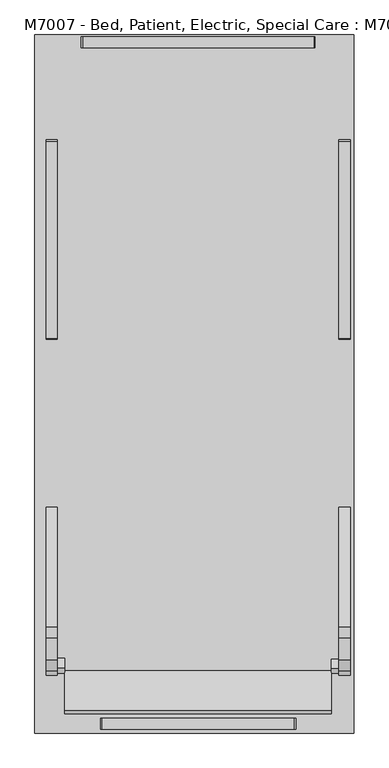
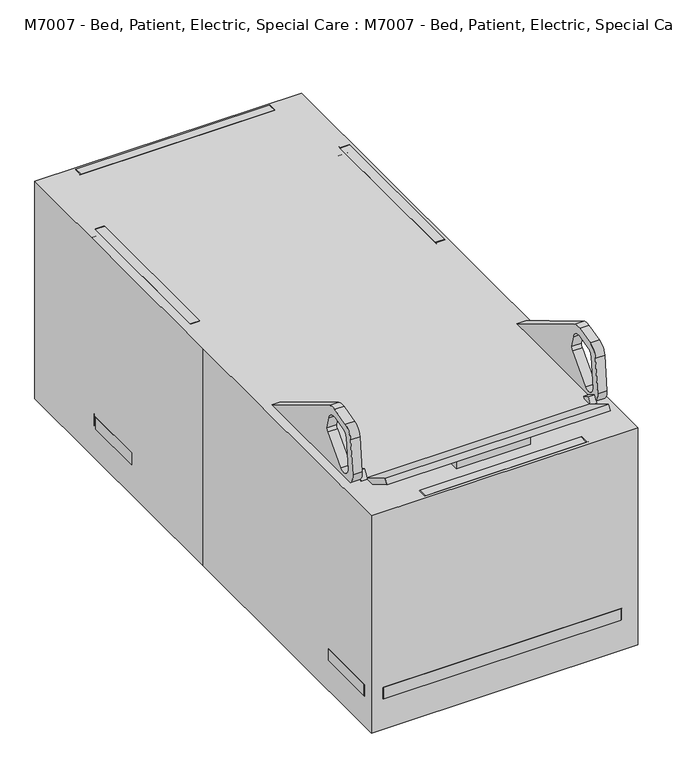
"""IFC4 building model written with IfcOpenShell, lengths in millimetres: proxy geometry, M7007 - Bed, Patient, Electric, Special Care : M7007 - Bed, Patient, Electric, Special Care."""

from ifc_helpers import new_model, si_unit, point, frame, frame_2d, origin, origin_with_axes, place, context, project, spatial, polyline, circle_curve, trimmed, segment, composite_curve, outline, extrude, source, transform, mapped, element, save


def m7007_bed_patient_electric_special_care_m7007_bed_patient_1ccff619(model_context):
    return source(origin(), model_context, "Body", "SweptSolid", [
        extrude(outline(composite_curve([segment(trimmed(circle_curve(frame_2d((-370.8269462, 849.6395713)), 50.8), [point((-344.6630119, 893.1836702))], [point((-321.5359233, 861.9292036))], False, "CARTESIAN"), True, "CONTINUOUS"), segment(polyline([(-321.5359233, 861.9292036), (-302.971464, 787.4712245)]), True, "CONTINUOUS"), segment(trimmed(circle_curve(frame_2d((-352.2624869, 775.1815922)), 50.8), [point((-302.971464, 787.4712245))], [point((-323.8554874, 733.0664835))], False, "CARTESIAN"), True, "CONTINUOUS"), segment(polyline([(-323.8554874, 733.0664835), (-443.7606791, 652.1894105)]), True, "CONTINUOUS"), segment(trimmed(circle_curve(frame_2d((-472.1676786, 694.3045192)), 50.8), [point((-443.7606791, 652.1894105))], [point((-498.3316128, 650.7604203))], False, "CARTESIAN"), True, "CONTINUOUS"), segment(polyline([(-498.3316128, 650.7604203), (-971.5552627, 935.1018755)]), True, "CONTINUOUS"), segment(trimmed(circle_curve(frame_2d((-945.3913285, 978.6459744)), 50.8), [point((-971.5552627, 935.1018755))], [point((-995.9130407, 983.9560203))], False, "CARTESIAN"), True, "CONTINUOUS"), segment(polyline([(-995.9130407, 983.9560203), (-980.7949015, 1127.7955065)]), True, "CONTINUOUS"), segment(trimmed(circle_curve(frame_2d((-930.2731893, 1122.4854606)), 50.8), [point((-980.7949015, 1127.7955065))], [point((-942.5628216, 1171.7764835))], False, "CARTESIAN"), True, "CONTINUOUS"), segment(polyline([(-942.5628216, 1171.7764835), (-868.1048424, 1190.3409427)]), True, "CONTINUOUS"), segment(trimmed(circle_curve(frame_2d((-855.8152101, 1141.0499198)), 50.8), [point((-868.1048424, 1190.3409427))], [point((-829.6512759, 1184.5940187))], False, "CARTESIAN"), True, "CONTINUOUS"), segment(polyline([(-829.6512759, 1184.5940187), (-344.6630119, 893.1836702)]), True, "CONTINUOUS")], self_intersect=False), holes=[composite_curve([segment(polyline([(-338.4706634, 785.4859616), (-353.2561052, 844.7871298)]), True, "CONTINUOUS"), segment(trimmed(circle_curve(frame_2d((-387.1436835, 836.3380076)), 34.925), [point((-353.2561052, 844.7871298))], [point((-395.5928057, 870.2255859))], True, "CARTESIAN"), True, "CONTINUOUS"), segment(polyline([(-395.5928057, 870.2255859), (-446.1783385, 857.613196)]), True, "CONTINUOUS"), segment(trimmed(circle_curve(frame_2d((-431.9748387, 836.5556416)), 25.4), [point((-446.1783385, 857.613196))], [point((-455.9910106, 844.8250728))], True, "CARTESIAN"), True, "CONTINUOUS"), segment(polyline([(-455.9910106, 844.8250728), (-500.2951665, 716.1564613)]), True, "CONTINUOUS"), segment(trimmed(circle_curve(frame_2d((-476.2789946, 707.8870302)), 25.4), [point((-500.2951665, 716.1564613))], [point((-489.3609617, 686.1149807))], True, "CARTESIAN"), True, "CONTINUOUS"), segment(polyline([(-489.3609617, 686.1149807), (-485.5384053, 683.8181571)]), True, "CONTINUOUS"), segment(trimmed(circle_curve(frame_2d((-472.4564382, 705.5902065)), 25.4), [point((-485.5384053, 683.8181571))], [point((-458.2529385, 684.5326522))], True, "CARTESIAN"), True, "CONTINUOUS"), segment(polyline([(-458.2529385, 684.5326522), (-348.9126751, 758.2835911)]), True, "CONTINUOUS"), segment(trimmed(circle_curve(frame_2d((-363.1161748, 779.3411454)), 25.4), [point((-348.9126751, 758.2835911))], [point((-338.4706634, 785.4859616))], True, "CARTESIAN"), True, "CONTINUOUS")], self_intersect=False), composite_curve([segment(trimmed(circle_curve(frame_2d((-921.5050239, 1114.8550149)), 25.4), [point((-927.64984, 1139.5005264))], [point((-946.76588, 1117.5100379))], True, "CARTESIAN"), True, "CONTINUOUS"), segment(polyline([(-946.76588, 1117.5100379), (-960.5519497, 986.344347)]), True, "CONTINUOUS"), segment(trimmed(circle_curve(frame_2d((-935.2910935, 983.689324)), 25.4), [point((-960.5519497, 986.344347))], [point((-948.3730606, 961.9172746))], True, "CARTESIAN"), True, "CONTINUOUS"), segment(polyline([(-948.3730606, 961.9172746), (-944.5505042, 959.620451)]), True, "CONTINUOUS"), segment(trimmed(circle_curve(frame_2d((-931.4685371, 981.3925004)), 25.4), [point((-944.5505042, 959.620451))], [point((-912.8921531, 964.0697421))], True, "CARTESIAN"), True, "CONTINUOUS"), segment(polyline([(-912.8921531, 964.0697421), (-820.0840536, 1063.594244)]), True, "CONTINUOUS"), segment(trimmed(circle_curve(frame_2d((-838.6604376, 1080.9170023)), 25.4), [point((-820.0840536, 1063.594244))], [point((-813.3995815, 1078.2619794))], True, "CARTESIAN"), True, "CONTINUOUS"), segment(polyline([(-813.3995815, 1078.2619794), (-826.0119713, 1128.8475122)]), True, "CONTINUOUS"), segment(trimmed(circle_curve(frame_2d((-859.8995496, 1120.39839)), 34.925), [point((-826.0119713, 1128.8475122))], [point((-868.3486718, 1154.2859682))], True, "CARTESIAN"), True, "CONTINUOUS"), segment(polyline([(-868.3486718, 1154.2859682), (-927.64984, 1139.5005264)]), True, "CONTINUOUS")], self_intersect=False)]), frame((527.0507546, 0.0, 0.0), z_axis=(1.0, 0.0, 0.0), x_axis=(0.0, 1.0, 0.0)), (0.0, 0.0, 1.0), 38.1),
        extrude(outline(composite_curve([segment(trimmed(circle_curve(frame_2d((-370.8290819, 849.6408547)), 50.8), [point((-344.6651477, 893.1849536))], [point((-321.538059, 861.930487))], False, "CARTESIAN"), True, "CONTINUOUS"), segment(polyline([(-321.538059, 861.930487), (-302.9735998, 787.4725079)]), True, "CONTINUOUS"), segment(trimmed(circle_curve(frame_2d((-352.2646227, 775.1828756)), 50.8), [point((-302.9735998, 787.4725079))], [point((-323.8576232, 733.0677669))], False, "CARTESIAN"), True, "CONTINUOUS"), segment(polyline([(-323.8576232, 733.0677669), (-443.7628149, 652.1906939)]), True, "CONTINUOUS"), segment(trimmed(circle_curve(frame_2d((-472.1698144, 694.3058026)), 50.8), [point((-443.7628149, 652.1906939))], [point((-498.3337486, 650.7617037))], False, "CARTESIAN"), True, "CONTINUOUS"), segment(polyline([(-498.3337486, 650.7617037), (-971.5573984, 935.1031589)]), True, "CONTINUOUS"), segment(trimmed(circle_curve(frame_2d((-945.3934642, 978.6472578)), 50.8), [point((-971.5573984, 935.1031589))], [point((-995.9151765, 983.9573037))], False, "CARTESIAN"), True, "CONTINUOUS"), segment(polyline([(-995.9151765, 983.9573037), (-980.7970373, 1127.7967899)]), True, "CONTINUOUS"), segment(trimmed(circle_curve(frame_2d((-930.275325, 1122.486744)), 50.8), [point((-980.7970373, 1127.7967899))], [point((-942.5649573, 1171.7777669))], False, "CARTESIAN"), True, "CONTINUOUS"), segment(polyline([(-942.5649573, 1171.7777669), (-868.1069782, 1190.3422261)]), True, "CONTINUOUS"), segment(trimmed(circle_curve(frame_2d((-855.8173459, 1141.0512032)), 50.8), [point((-868.1069782, 1190.3422261))], [point((-829.6534117, 1184.5953021))], False, "CARTESIAN"), True, "CONTINUOUS"), segment(polyline([(-829.6534117, 1184.5953021), (-344.6651477, 893.1849536)]), True, "CONTINUOUS")], self_intersect=False), holes=[composite_curve([segment(polyline([(-338.4727992, 785.487245), (-353.258241, 844.7884132)]), True, "CONTINUOUS"), segment(trimmed(circle_curve(frame_2d((-387.1458193, 836.339291)), 34.925), [point((-353.258241, 844.7884132))], [point((-395.5949415, 870.2268693))], True, "CARTESIAN"), True, "CONTINUOUS"), segment(polyline([(-395.5949415, 870.2268693), (-446.1804743, 857.6144794)]), True, "CONTINUOUS"), segment(trimmed(circle_curve(frame_2d((-431.9769745, 836.5569251)), 25.4), [point((-446.1804743, 857.6144794))], [point((-455.9931464, 844.8263562))], True, "CARTESIAN"), True, "CONTINUOUS"), segment(polyline([(-455.9931464, 844.8263562), (-500.2973022, 716.1577447)]), True, "CONTINUOUS"), segment(trimmed(circle_curve(frame_2d((-476.2811304, 707.8883136)), 25.4), [point((-500.2973022, 716.1577447))], [point((-489.3630975, 686.1162641))], True, "CARTESIAN"), True, "CONTINUOUS"), segment(polyline([(-489.3630975, 686.1162641), (-485.5405411, 683.8194405)]), True, "CONTINUOUS"), segment(trimmed(circle_curve(frame_2d((-472.458574, 705.59149)), 25.4), [point((-485.5405411, 683.8194405))], [point((-458.2550742, 684.5339356))], True, "CARTESIAN"), True, "CONTINUOUS"), segment(polyline([(-458.2550742, 684.5339356), (-348.9148109, 758.2848745)]), True, "CONTINUOUS"), segment(trimmed(circle_curve(frame_2d((-363.1183106, 779.3424288)), 25.4), [point((-348.9148109, 758.2848745))], [point((-338.4727992, 785.487245))], True, "CARTESIAN"), True, "CONTINUOUS")], self_intersect=False), composite_curve([segment(trimmed(circle_curve(frame_2d((-921.5071597, 1114.8562983)), 25.4), [point((-927.6519758, 1139.5018098))], [point((-946.7680158, 1117.5113213))], True, "CARTESIAN"), True, "CONTINUOUS"), segment(polyline([(-946.7680158, 1117.5113213), (-960.5540855, 986.3456304)]), True, "CONTINUOUS"), segment(trimmed(circle_curve(frame_2d((-935.2932293, 983.6906075)), 25.4), [point((-960.5540855, 986.3456304))], [point((-948.3751964, 961.918558))], True, "CARTESIAN"), True, "CONTINUOUS"), segment(polyline([(-948.3751964, 961.918558), (-944.55264, 959.6217344)]), True, "CONTINUOUS"), segment(trimmed(circle_curve(frame_2d((-931.4706729, 981.3937838)), 25.4), [point((-944.55264, 959.6217344))], [point((-912.8942889, 964.0710255))], True, "CARTESIAN"), True, "CONTINUOUS"), segment(polyline([(-912.8942889, 964.0710255), (-820.0861894, 1063.5955274)]), True, "CONTINUOUS"), segment(trimmed(circle_curve(frame_2d((-838.6625734, 1080.9182857)), 25.4), [point((-820.0861894, 1063.5955274))], [point((-813.4017173, 1078.2632628))], True, "CARTESIAN"), True, "CONTINUOUS"), segment(polyline([(-813.4017173, 1078.2632628), (-826.0141071, 1128.8487956)]), True, "CONTINUOUS"), segment(trimmed(circle_curve(frame_2d((-859.9016854, 1120.3996734)), 34.925), [point((-826.0141071, 1128.8487956))], [point((-868.3508076, 1154.2872516))], True, "CARTESIAN"), True, "CONTINUOUS"), segment(polyline([(-868.3508076, 1154.2872516), (-927.6519758, 1139.5018098)]), True, "CONTINUOUS")], self_intersect=False)]), frame((-476.2492454, 0.0, 0.0), z_axis=(1.0, 0.0, 0.0), x_axis=(0.0, 1.0, 0.0)), (0.0, 0.0, 1.0), 38.1),
        extrude(outline(polyline([(-412.75, 577.85), (-438.15, 577.85), (-438.15, 615.95), (-412.75, 615.95), (-412.75, 577.85)])), frame((0.0, 0.0, 627.4575369), z_axis=(0.0, 0.0, 1.0), x_axis=(1.0, 0.0, 0.0)), (0.0, 0.0, 1.0), 60.2479702),
        extrude(outline(composite_curve([segment(trimmed(circle_curve(frame_2d((157.2386443, 889.0)), 50.8), [point((117.7596294, 920.9694759))], [point((157.2386443, 939.8))], False, "CARTESIAN"), True, "CONTINUOUS"), segment(polyline([(157.2386443, 939.8), (830.9921503, 939.8)]), True, "CONTINUOUS"), segment(trimmed(circle_curve(frame_2d((830.9921503, 889.0)), 50.8), [point((830.9921503, 939.8))], [point((866.9131748, 924.9210245))], False, "CARTESIAN"), True, "CONTINUOUS"), segment(polyline([(866.9131748, 924.9210245), (921.1747164, 870.6594829)]), True, "CONTINUOUS"), segment(trimmed(circle_curve(frame_2d((885.2536919, 834.7384584)), 50.8), [point((921.1747164, 870.6594829))], [point((931.2941275, 813.2694507))], False, "CARTESIAN"), True, "CONTINUOUS"), segment(polyline([(931.2941275, 813.2694507), (870.17009, 682.1885292)]), True, "CONTINUOUS"), segment(trimmed(circle_curve(frame_2d((824.1296544, 703.6575369)), 50.8), [point((870.17009, 682.1885292))], [point((824.1296544, 652.8575369))], False, "CARTESIAN"), True, "CONTINUOUS"), segment(polyline([(824.1296544, 652.8575369), (7.151277, 652.8575369)]), True, "CONTINUOUS"), segment(trimmed(circle_curve(frame_2d((7.151277, 703.6575369)), 50.8), [point((7.151277, 652.8575369))], [point((-32.3277379, 735.6270128))], False, "CARTESIAN"), True, "CONTINUOUS"), segment(polyline([(-32.3277379, 735.6270128), (117.7596294, 920.9694759)]), True, "CONTINUOUS")], self_intersect=False), holes=[composite_curve([segment(polyline([(891.7684495, 850.6743411), (848.5524927, 893.8902979)]), True, "CONTINUOUS"), segment(trimmed(circle_curve(frame_2d((823.8567883, 869.1945936)), 34.925), [point((848.5524927, 893.8902979))], [point((799.161084, 893.8902979))], True, "CARTESIAN"), True, "CONTINUOUS"), segment(polyline([(799.161084, 893.8902979), (762.2966804, 857.0258943)]), True, "CONTINUOUS"), segment(trimmed(circle_curve(frame_2d((785.3168982, 846.2913905)), 25.4), [point((762.2966804, 857.0258943))], [point((760.4719491, 841.0104335))], True, "CARTESIAN"), True, "CONTINUOUS"), segment(polyline([(760.4719491, 841.0104335), (788.7651094, 707.90158)]), True, "CONTINUOUS"), segment(trimmed(circle_curve(frame_2d((813.6100584, 713.1825369)), 25.4), [point((788.7651094, 707.90158))], [point((813.6100584, 687.7825369))], True, "CARTESIAN"), True, "CONTINUOUS"), segment(polyline([(813.6100584, 687.7825369), (818.0695804, 687.7825369)]), True, "CONTINUOUS"), segment(trimmed(circle_curve(frame_2d((818.0695804, 713.1825369)), 25.4), [point((818.0695804, 687.7825369))], [point((841.0897982, 702.4480331))], True, "CARTESIAN"), True, "CONTINUOUS"), segment(polyline([(841.0897982, 702.4480331), (896.828155, 821.979325)]), True, "CONTINUOUS"), segment(trimmed(circle_curve(frame_2d((873.8079372, 832.7138289)), 25.4), [point((896.828155, 821.979325))], [point((891.7684495, 850.6743411))], True, "CARTESIAN"), True, "CONTINUOUS")], self_intersect=False), composite_curve([segment(polyline([(139.1832055, 891.9290147), (0.166916, 720.2581941)]), True, "CONTINUOUS"), segment(trimmed(circle_curve(frame_2d((15.6570098, 707.7145634)), 19.9320265), [point((0.166916, 720.2581941))], [point((15.6570098, 687.7825369))], True, "CARTESIAN"), True, "CONTINUOUS"), segment(polyline([(15.6570098, 687.7825369), (87.9450488, 687.7825369)]), True, "CONTINUOUS"), segment(trimmed(circle_curve(frame_2d((87.9450488, 722.7075369)), 34.925), [point((87.9450488, 687.7825369))], [point((115.0868715, 700.7285223))], True, "CARTESIAN"), True, "CONTINUOUS"), segment(polyline([(115.0868715, 700.7285223), (234.3214671, 847.9709853)]), True, "CONTINUOUS"), segment(trimmed(circle_curve(frame_2d((207.1796444, 869.95)), 34.925), [point((234.3214671, 847.9709853))], [point((207.1796444, 904.875))], True, "CARTESIAN"), True, "CONTINUOUS"), segment(polyline([(207.1796444, 904.875), (166.3250282, 904.875)]), True, "CONTINUOUS"), segment(trimmed(circle_curve(frame_2d((166.3250282, 869.95)), 34.925), [point((166.3250282, 904.875))], [point((139.1832055, 891.9290147))], True, "CARTESIAN"), True, "CONTINUOUS")], self_intersect=False)]), frame((-476.2492454, 0.0, 0.0), z_axis=(1.0, 0.0, 0.0), x_axis=(0.0, 1.0, 0.0)), (0.0, 0.0, 1.0), 38.1),
        extrude(outline(composite_curve([segment(trimmed(circle_curve(frame_2d((157.2386443, 889.0)), 50.8), [point((117.7596294, 920.9694759))], [point((157.2386443, 939.8))], False, "CARTESIAN"), True, "CONTINUOUS"), segment(polyline([(157.2386443, 939.8), (830.9921503, 939.8)]), True, "CONTINUOUS"), segment(trimmed(circle_curve(frame_2d((830.9921503, 889.0)), 50.8), [point((830.9921503, 939.8))], [point((866.9131748, 924.9210245))], False, "CARTESIAN"), True, "CONTINUOUS"), segment(polyline([(866.9131748, 924.9210245), (921.1747164, 870.6594829)]), True, "CONTINUOUS"), segment(trimmed(circle_curve(frame_2d((885.2536919, 834.7384584)), 50.8), [point((921.1747164, 870.6594829))], [point((931.2941275, 813.2694507))], False, "CARTESIAN"), True, "CONTINUOUS"), segment(polyline([(931.2941275, 813.2694507), (870.17009, 682.1885292)]), True, "CONTINUOUS"), segment(trimmed(circle_curve(frame_2d((824.1296544, 703.6575369)), 50.8), [point((870.17009, 682.1885292))], [point((824.1296544, 652.8575369))], False, "CARTESIAN"), True, "CONTINUOUS"), segment(polyline([(824.1296544, 652.8575369), (7.151277, 652.8575369)]), True, "CONTINUOUS"), segment(trimmed(circle_curve(frame_2d((7.151277, 703.6575369)), 50.8), [point((7.151277, 652.8575369))], [point((-32.3277379, 735.6270128))], False, "CARTESIAN"), True, "CONTINUOUS"), segment(polyline([(-32.3277379, 735.6270128), (117.7596294, 920.9694759)]), True, "CONTINUOUS")], self_intersect=False), holes=[composite_curve([segment(polyline([(891.7684495, 850.6743411), (848.5524927, 893.8902979)]), True, "CONTINUOUS"), segment(trimmed(circle_curve(frame_2d((823.8567883, 869.1945936)), 34.925), [point((848.5524927, 893.8902979))], [point((799.161084, 893.8902979))], True, "CARTESIAN"), True, "CONTINUOUS"), segment(polyline([(799.161084, 893.8902979), (762.2966804, 857.0258943)]), True, "CONTINUOUS"), segment(trimmed(circle_curve(frame_2d((785.3168982, 846.2913905)), 25.4), [point((762.2966804, 857.0258943))], [point((760.4719491, 841.0104335))], True, "CARTESIAN"), True, "CONTINUOUS"), segment(polyline([(760.4719491, 841.0104335), (788.7651094, 707.90158)]), True, "CONTINUOUS"), segment(trimmed(circle_curve(frame_2d((813.6100584, 713.1825369)), 25.4), [point((788.7651094, 707.90158))], [point((813.6100584, 687.7825369))], True, "CARTESIAN"), True, "CONTINUOUS"), segment(polyline([(813.6100584, 687.7825369), (818.0695804, 687.7825369)]), True, "CONTINUOUS"), segment(trimmed(circle_curve(frame_2d((818.0695804, 713.1825369)), 25.4), [point((818.0695804, 687.7825369))], [point((841.0897982, 702.4480331))], True, "CARTESIAN"), True, "CONTINUOUS"), segment(polyline([(841.0897982, 702.4480331), (896.828155, 821.979325)]), True, "CONTINUOUS"), segment(trimmed(circle_curve(frame_2d((873.8079372, 832.7138289)), 25.4), [point((896.828155, 821.979325))], [point((891.7684495, 850.6743411))], True, "CARTESIAN"), True, "CONTINUOUS")], self_intersect=False), composite_curve([segment(polyline([(139.1832055, 891.9290147), (0.166916, 720.2581941)]), True, "CONTINUOUS"), segment(trimmed(circle_curve(frame_2d((15.6570098, 707.7145634)), 19.9320265), [point((0.166916, 720.2581941))], [point((15.6570098, 687.7825369))], True, "CARTESIAN"), True, "CONTINUOUS"), segment(polyline([(15.6570098, 687.7825369), (87.9450488, 687.7825369)]), True, "CONTINUOUS"), segment(trimmed(circle_curve(frame_2d((87.9450488, 722.7075369)), 34.925), [point((87.9450488, 687.7825369))], [point((115.0868715, 700.7285223))], True, "CARTESIAN"), True, "CONTINUOUS"), segment(polyline([(115.0868715, 700.7285223), (234.3214671, 847.9709853)]), True, "CONTINUOUS"), segment(trimmed(circle_curve(frame_2d((207.1796444, 869.95)), 34.925), [point((234.3214671, 847.9709853))], [point((207.1796444, 904.875))], True, "CARTESIAN"), True, "CONTINUOUS"), segment(polyline([(207.1796444, 904.875), (166.3250282, 904.875)]), True, "CONTINUOUS"), segment(trimmed(circle_curve(frame_2d((166.3250282, 869.95)), 34.925), [point((166.3250282, 904.875))], [point((139.1832055, 891.9290147))], True, "CARTESIAN"), True, "CONTINUOUS")], self_intersect=False)]), frame((527.05, 0.0, 0.0), z_axis=(1.0, 0.0, 0.0), x_axis=(0.0, 1.0, 0.0)), (0.0, 0.0, 1.0), 38.1),
        extrude(outline(polyline([(0.0, 38.1), (25.4, 38.1), (25.4, 0.0), (0.0, 0.0), (0.0, 38.1)])), frame((501.65, -512.7423906, 626.9548057), z_axis=(0.0, 0.499999999999999, 0.8660254037844393), x_axis=(1.0, 0.0, 0.0)), (0.0, 0.0, 1.0), 54.9209891),
        extrude(outline(polyline([(0.0, 38.1), (25.4, 38.1), (25.4, 0.0), (0.0, 0.0), (0.0, 38.1)])), frame((501.65, -1000.1783694, 921.1481966), z_axis=(0.0, 0.499999999999999, 0.8660254037844393), x_axis=(1.0, 0.0, 0.0)), (0.0, 0.0, 1.0), 52.9225581),
        extrude(outline(polyline([(0.0, 38.1), (25.4, 38.1), (25.4, 0.0), (0.0, 0.0), (0.0, 38.1)])), frame((-412.75, -479.7468227, 607.9048057), z_axis=(0.0, 0.499999999999999, 0.8660254037844393), x_axis=(-1.0, 0.0, 0.0)), (0.0, 0.0, 1.0), 61.9996622),
        extrude(outline(polyline([(0.0, 38.1), (25.4, 38.1), (25.4, 0.0), (0.0, 0.0), (0.0, 38.1)])), frame((-412.75, -966.8759725, 902.6296399), z_axis=(0.0, 0.5000000000000006, 0.8660254037844384), x_axis=(-1.0, 0.0, 0.0)), (0.0, 0.0, 1.0), 59.2172175),
        extrude(outline(composite_curve([segment(trimmed(circle_curve(frame_2d((157.2386443, 889.0)), 50.8), [point((117.7596294, 920.9694759))], [point((157.2386443, 939.8))], False, "CARTESIAN"), True, "CONTINUOUS"), segment(polyline([(157.2386443, 939.8), (830.9921503, 939.8)]), True, "CONTINUOUS"), segment(trimmed(circle_curve(frame_2d((830.9921503, 889.0)), 50.8), [point((830.9921503, 939.8))], [point((866.9131748, 924.9210245))], False, "CARTESIAN"), True, "CONTINUOUS"), segment(polyline([(866.9131748, 924.9210245), (921.1747164, 870.6594829)]), True, "CONTINUOUS"), segment(trimmed(circle_curve(frame_2d((885.2536919, 834.7384584)), 50.8), [point((921.1747164, 870.6594829))], [point((931.2941275, 813.2694507))], False, "CARTESIAN"), True, "CONTINUOUS"), segment(polyline([(931.2941275, 813.2694507), (870.17009, 682.1885292)]), True, "CONTINUOUS"), segment(trimmed(circle_curve(frame_2d((824.1296544, 703.6575369)), 50.8), [point((870.17009, 682.1885292))], [point((824.1296544, 652.8575369))], False, "CARTESIAN"), True, "CONTINUOUS"), segment(polyline([(824.1296544, 652.8575369), (7.151277, 652.8575369)]), True, "CONTINUOUS"), segment(trimmed(circle_curve(frame_2d((7.151277, 703.6575369)), 50.8), [point((7.151277, 652.8575369))], [point((-32.3277379, 735.6270128))], False, "CARTESIAN"), True, "CONTINUOUS"), segment(polyline([(-32.3277379, 735.6270128), (117.7596294, 920.9694759)]), True, "CONTINUOUS")], self_intersect=False), holes=[composite_curve([segment(polyline([(891.7684495, 850.6743411), (848.5524927, 893.8902979)]), True, "CONTINUOUS"), segment(trimmed(circle_curve(frame_2d((823.8567883, 869.1945936)), 34.925), [point((848.5524927, 893.8902979))], [point((799.161084, 893.8902979))], True, "CARTESIAN"), True, "CONTINUOUS"), segment(polyline([(799.161084, 893.8902979), (762.2966804, 857.0258943)]), True, "CONTINUOUS"), segment(trimmed(circle_curve(frame_2d((785.3168982, 846.2913905)), 25.4), [point((762.2966804, 857.0258943))], [point((760.4719491, 841.0104335))], True, "CARTESIAN"), True, "CONTINUOUS"), segment(polyline([(760.4719491, 841.0104335), (788.7651094, 707.90158)]), True, "CONTINUOUS"), segment(trimmed(circle_curve(frame_2d((813.6100584, 713.1825369)), 25.4), [point((788.7651094, 707.90158))], [point((813.6100584, 687.7825369))], True, "CARTESIAN"), True, "CONTINUOUS"), segment(polyline([(813.6100584, 687.7825369), (818.0695804, 687.7825369)]), True, "CONTINUOUS"), segment(trimmed(circle_curve(frame_2d((818.0695804, 713.1825369)), 25.4), [point((818.0695804, 687.7825369))], [point((841.0897982, 702.4480331))], True, "CARTESIAN"), True, "CONTINUOUS"), segment(polyline([(841.0897982, 702.4480331), (896.828155, 821.979325)]), True, "CONTINUOUS"), segment(trimmed(circle_curve(frame_2d((873.8079372, 832.7138289)), 25.4), [point((896.828155, 821.979325))], [point((891.7684495, 850.6743411))], True, "CARTESIAN"), True, "CONTINUOUS")], self_intersect=False), composite_curve([segment(polyline([(139.1832055, 891.9290147), (0.166916, 720.2581941)]), True, "CONTINUOUS"), segment(trimmed(circle_curve(frame_2d((15.6570098, 707.7145634)), 19.9320265), [point((0.166916, 720.2581941))], [point((15.6570098, 687.7825369))], True, "CARTESIAN"), True, "CONTINUOUS"), segment(polyline([(15.6570098, 687.7825369), (87.9450488, 687.7825369)]), True, "CONTINUOUS"), segment(trimmed(circle_curve(frame_2d((87.9450488, 722.7075369)), 34.925), [point((87.9450488, 687.7825369))], [point((115.0868715, 700.7285223))], True, "CARTESIAN"), True, "CONTINUOUS"), segment(polyline([(115.0868715, 700.7285223), (234.3214671, 847.9709853)]), True, "CONTINUOUS"), segment(trimmed(circle_curve(frame_2d((207.1796444, 869.95)), 34.925), [point((234.3214671, 847.9709853))], [point((207.1796444, 904.875))], True, "CARTESIAN"), True, "CONTINUOUS"), segment(polyline([(207.1796444, 904.875), (166.3250282, 904.875)]), True, "CONTINUOUS"), segment(trimmed(circle_curve(frame_2d((166.3250282, 869.95)), 34.925), [point((166.3250282, 904.875))], [point((139.1832055, 891.9290147))], True, "CARTESIAN"), True, "CONTINUOUS")], self_intersect=False)]), frame((527.05, 0.0, 0.0), z_axis=(1.0, 0.0, 0.0), x_axis=(0.0, 1.0, 0.0)), (0.0, 0.0, 1.0), 38.1),
        extrude(outline(polyline([(501.65, 615.95), (527.05, 615.95), (527.05, 577.85), (501.65, 577.85), (501.65, 615.95)])), frame((0.0, 0.0, 627.4575369), z_axis=(0.0, 0.0, 1.0), x_axis=(1.0, 0.0, 0.0)), (0.0, 0.0, 1.0), 60.325),
        extrude(outline(polyline([(501.65, 107.95), (527.05, 107.95), (527.05, 69.85), (501.65, 69.85), (501.65, 107.95)])), frame((0.0, 0.0, 627.4575369), z_axis=(0.0, 0.0, 1.0), x_axis=(1.0, 0.0, 0.0)), (0.0, 0.0, 1.0), 60.325),
        extrude(outline(polyline([(-412.75, 69.85), (-438.15, 69.85), (-438.15, 107.95), (-412.75, 107.95), (-412.75, 69.85)])), frame((0.0, 0.0, 627.4575369), z_axis=(0.0, 0.0, 1.0), x_axis=(1.0, 0.0, 0.0)), (0.0, 0.0, 1.0), 60.0897921),
        extrude(outline(polyline([(-1092.2, 468.8068269), (-1092.2, 977.0363456), (-939.7956539, 885.4625759), (-939.7956539, 468.8068269), (-1092.2, 468.8068269)])), frame((-107.95, 0.0, 0.0), z_axis=(1.0, 0.0, 0.0), x_axis=(0.0, 1.0, 0.0)), (0.0, 0.0, 1.0), 304.8),
        extrude(outline(composite_curve([segment(polyline([(939.8, 374.65), (939.8, -285.75)]), True, "CONTINUOUS"), segment(trimmed(circle_curve(frame_2d((736.6, -285.75)), 203.2), [point((939.8, -285.75))], [point((736.6, -488.95))], False, "CARTESIAN"), True, "CONTINUOUS"), segment(polyline([(736.6, -488.95), (329.8584688, -488.95)]), True, "CONTINUOUS"), segment(trimmed(circle_curve(frame_2d((329.8584688, -412.75)), 76.2), [point((329.8584688, -488.95))], [point((253.6584688, -412.75))], False, "CARTESIAN"), True, "CONTINUOUS"), segment(polyline([(253.6584688, -412.75), (253.6584688, 501.65)]), True, "CONTINUOUS"), segment(trimmed(circle_curve(frame_2d((329.8584688, 501.65)), 76.2), [point((253.6584688, 501.65))], [point((329.8584688, 577.85))], False, "CARTESIAN"), True, "CONTINUOUS"), segment(polyline([(329.8584688, 577.85), (736.6, 577.85)]), True, "CONTINUOUS"), segment(trimmed(circle_curve(frame_2d((736.6, 374.65)), 203.2), [point((736.6, 577.85))], [point((939.8, 374.65))], False, "CARTESIAN"), True, "CONTINUOUS")], self_intersect=False)), frame((0.0, -1181.1, 0.0), z_axis=(0.0, 1.0, 0.0), x_axis=(0.0, 0.0, 1.0)), (0.0, 0.0, 1.0), 38.1),
        extrude(outline(polyline([(260.35, 368.696875), (260.35, 25.796875), (-171.45, 25.796875), (-171.45, 368.696875), (260.35, 368.696875)])), frame((0.0, 0.0, 180.975), z_axis=(0.0, 0.0, 1.0), x_axis=(1.0, 0.0, 0.0)), (0.0, 0.0, 1.0), 446.4825369),
        extrude(outline(polyline([(1026.0638122, 627.4575369), (-40.7361878, 627.4575369), (-150.7214141, 563.9575369), (-404.7214141, 563.9575369), (-1128.6420579, 998.9329431), (-1115.5600908, 1020.7049925), (-397.6773707, 589.3575369), (-157.5273236, 589.3575369), (-47.5420973, 652.8575369), (1026.0638122, 652.8575369), (1026.0638122, 627.4575369)])), frame((-412.75, 0.0, 0.0), z_axis=(1.0, 0.0, 0.0), x_axis=(0.0, 1.0, 0.0)), (0.0, 0.0, 1.0), 914.4),
        extrude(outline(composite_curve([segment(trimmed(circle_curve(frame_2d((-1066.6599321, 51.5042315)), 51.5042315), [point((-1015.1557006, 51.5042315))], [point((-1118.1641636, 51.5042315))], False, "CARTESIAN"), True, "CONTINUOUS"), segment(trimmed(circle_curve(frame_2d((-1066.6599321, 51.5042315)), 51.5042315), [point((-1118.1641636, 51.5042315))], [point((-1015.1557006, 51.5042315))], False, "CARTESIAN"), True, "CONTINUOUS")], self_intersect=False)), frame((-438.15, 0.0, 0.0), z_axis=(1.0, 0.0, 0.0), x_axis=(0.0, 1.0, 0.0)), (0.0, 0.0, 1.0), 25.4),
        extrude(outline(composite_curve([segment(trimmed(circle_curve(frame_2d((-1066.6599321, 51.5042315)), 51.5042315), [point((-1015.1557006, 51.5042315))], [point((-1118.1641636, 51.5042315))], False, "CARTESIAN"), True, "CONTINUOUS"), segment(trimmed(circle_curve(frame_2d((-1066.6599321, 51.5042315)), 51.5042315), [point((-1118.1641636, 51.5042315))], [point((-1015.1557006, 51.5042315))], False, "CARTESIAN"), True, "CONTINUOUS")], self_intersect=False)), frame((488.95, 0.0, 0.0), z_axis=(1.0, 0.0, 0.0), x_axis=(0.0, 1.0, 0.0)), (0.0, 0.0, 1.0), 25.4),
        extrude(outline(composite_curve([segment(trimmed(circle_curve(frame_2d((676.1349321, 51.5042315)), 51.5042315), [point((624.6307006, 51.5042315))], [point((727.6391636, 51.5042315))], False, "CARTESIAN"), True, "CONTINUOUS"), segment(trimmed(circle_curve(frame_2d((676.1349321, 51.5042315)), 51.5042315), [point((727.6391636, 51.5042315))], [point((624.6307006, 51.5042315))], False, "CARTESIAN"), True, "CONTINUOUS")], self_intersect=False)), frame((488.95, 0.0, 0.0), z_axis=(1.0, 0.0, 0.0), x_axis=(0.0, 1.0, 0.0)), (0.0, 0.0, 1.0), 25.4),
        extrude(outline(composite_curve([segment(polyline([(-1079.2863453, 60.4258647), (-1103.3209258, 118.4504749)]), True, "CONTINUOUS"), segment(trimmed(circle_curve(frame_2d((-1095.4868486, 121.6954559)), 8.4795441), [point((-1103.3209258, 118.4504749))], [point((-1095.4868486, 130.175))], False, "CARTESIAN"), True, "CONTINUOUS"), segment(polyline([(-1095.4868486, 130.175), (-1065.1356274, 130.175), (-1055.4580857, 108.9715457), (-1055.4580857, 50.8460708)]), True, "CONTINUOUS"), segment(trimmed(circle_curve(frame_2d((-1065.0378796, 50.8460708)), 9.5797939), [point((-1055.4580857, 50.8460708))], [point((-1074.29125, 48.3666377))], False, "CARTESIAN"), True, "CONTINUOUS"), segment(polyline([(-1074.29125, 48.3666377), (-1079.2863453, 60.4258647)]), True, "CONTINUOUS")], self_intersect=False)), frame((482.6, 0.0, 0.0), z_axis=(1.0, 0.0, 0.0), x_axis=(0.0, 1.0, 0.0)), (0.0, 0.0, 1.0), 38.1),
        extrude(outline(composite_curve([segment(trimmed(circle_curve(frame_2d((-1066.6599321, 51.5042315)), 51.5042315), [point((-1015.1557006, 51.5042315))], [point((-1118.1641636, 51.5042315))], False, "CARTESIAN"), True, "CONTINUOUS"), segment(trimmed(circle_curve(frame_2d((-1066.6599321, 51.5042315)), 51.5042315), [point((-1118.1641636, 51.5042315))], [point((-1015.1557006, 51.5042315))], False, "CARTESIAN"), True, "CONTINUOUS")], self_intersect=False)), frame((488.95, 0.0, 0.0), z_axis=(1.0, 0.0, 0.0), x_axis=(0.0, 1.0, 0.0)), (0.0, 0.0, 1.0), 25.4),
        extrude(outline(composite_curve([segment(polyline([(-1079.2863453, 60.4258647), (-1103.3209258, 118.4504749)]), True, "CONTINUOUS"), segment(trimmed(circle_curve(frame_2d((-1095.4868486, 121.6954559)), 8.4795441), [point((-1103.3209258, 118.4504749))], [point((-1095.4868486, 130.175))], False, "CARTESIAN"), True, "CONTINUOUS"), segment(polyline([(-1095.4868486, 130.175), (-1065.1356274, 130.175), (-1055.4580857, 108.9715457), (-1055.4580857, 50.8460708)]), True, "CONTINUOUS"), segment(trimmed(circle_curve(frame_2d((-1065.0378796, 50.8460708)), 9.5797939), [point((-1055.4580857, 50.8460708))], [point((-1074.29125, 48.3666377))], False, "CARTESIAN"), True, "CONTINUOUS"), segment(polyline([(-1074.29125, 48.3666377), (-1079.2863453, 60.4258647)]), True, "CONTINUOUS")], self_intersect=False)), frame((-444.5, 0.0, 0.0), z_axis=(1.0, 0.0, 0.0), x_axis=(0.0, 1.0, 0.0)), (0.0, 0.0, 1.0), 38.1),
        extrude(outline(composite_curve([segment(trimmed(circle_curve(frame_2d((-1066.6599321, 51.5042315)), 51.5042315), [point((-1015.1557006, 51.5042315))], [point((-1118.1641636, 51.5042315))], False, "CARTESIAN"), True, "CONTINUOUS"), segment(trimmed(circle_curve(frame_2d((-1066.6599321, 51.5042315)), 51.5042315), [point((-1118.1641636, 51.5042315))], [point((-1015.1557006, 51.5042315))], False, "CARTESIAN"), True, "CONTINUOUS")], self_intersect=False)), frame((-438.15, 0.0, 0.0), z_axis=(1.0, 0.0, 0.0), x_axis=(0.0, 1.0, 0.0)), (0.0, 0.0, 1.0), 25.4),
        extrude(outline(composite_curve([segment(polyline([(688.7613453, 60.4258647), (683.76625, 48.3666377)]), True, "CONTINUOUS"), segment(trimmed(circle_curve(frame_2d((674.5128796, 50.8460708)), 9.5797939), [point((683.76625, 48.3666377))], [point((664.9330857, 50.8460708))], False, "CARTESIAN"), True, "CONTINUOUS"), segment(polyline([(664.9330857, 50.8460708), (664.9330857, 108.9715457), (674.6106274, 130.175), (704.9618486, 130.175)]), True, "CONTINUOUS"), segment(trimmed(circle_curve(frame_2d((704.9618486, 121.6954559)), 8.4795441), [point((704.9618486, 130.175))], [point((712.7959258, 118.4504749))], False, "CARTESIAN"), True, "CONTINUOUS"), segment(polyline([(712.7959258, 118.4504749), (688.7613453, 60.4258647)]), True, "CONTINUOUS")], self_intersect=False)), frame((482.6, 0.0, 0.0), z_axis=(1.0, 0.0, 0.0), x_axis=(0.0, 1.0, 0.0)), (0.0, 0.0, 1.0), 38.1),
        extrude(outline(composite_curve([segment(trimmed(circle_curve(frame_2d((676.1349321, 51.5042315)), 51.5042315), [point((624.6307006, 51.5042315))], [point((727.6391636, 51.5042315))], False, "CARTESIAN"), True, "CONTINUOUS"), segment(trimmed(circle_curve(frame_2d((676.1349321, 51.5042315)), 51.5042315), [point((727.6391636, 51.5042315))], [point((624.6307006, 51.5042315))], False, "CARTESIAN"), True, "CONTINUOUS")], self_intersect=False)), frame((488.95, 0.0, 0.0), z_axis=(1.0, 0.0, 0.0), x_axis=(0.0, 1.0, 0.0)), (0.0, 0.0, 1.0), 25.4),
        extrude(outline(composite_curve([segment(polyline([(688.7613453, 60.4258647), (683.76625, 48.3666377)]), True, "CONTINUOUS"), segment(trimmed(circle_curve(frame_2d((674.5128796, 50.8460708)), 9.5797939), [point((683.76625, 48.3666377))], [point((664.9330857, 50.8460708))], False, "CARTESIAN"), True, "CONTINUOUS"), segment(polyline([(664.9330857, 50.8460708), (664.9330857, 108.9715457), (674.6106274, 130.175), (704.9618486, 130.175)]), True, "CONTINUOUS"), segment(trimmed(circle_curve(frame_2d((704.9618486, 121.6954559)), 8.4795441), [point((704.9618486, 130.175))], [point((712.7959258, 118.4504749))], False, "CARTESIAN"), True, "CONTINUOUS"), segment(polyline([(712.7959258, 118.4504749), (688.7613453, 60.4258647)]), True, "CONTINUOUS")], self_intersect=False)), frame((-444.5, 0.0, 0.0), z_axis=(1.0, 0.0, 0.0), x_axis=(0.0, 1.0, 0.0)), (0.0, 0.0, 1.0), 38.1),
        extrude(outline(composite_curve([segment(trimmed(circle_curve(frame_2d((676.1349321, 51.5042315)), 51.5042315), [point((624.6307006, 51.5042315))], [point((727.6391636, 51.5042315))], False, "CARTESIAN"), True, "CONTINUOUS"), segment(trimmed(circle_curve(frame_2d((676.1349321, 51.5042315)), 51.5042315), [point((727.6391636, 51.5042315))], [point((624.6307006, 51.5042315))], False, "CARTESIAN"), True, "CONTINUOUS")], self_intersect=False)), frame((-438.15, 0.0, 0.0), z_axis=(1.0, 0.0, 0.0), x_axis=(0.0, 1.0, 0.0)), (0.0, 0.0, 1.0), 25.4),
        extrude(outline(polyline([(260.35, -889.0), (260.35, -1143.0), (-171.45, -1143.0), (-171.45, -889.0), (260.35, -889.0)])), frame((0.0, 0.0, 180.975), z_axis=(0.0, 0.0, 1.0), x_axis=(1.0, 0.0, 0.0)), (0.0, 0.0, 1.0), 287.8318269),
        extrude(outline(composite_curve([segment(trimmed(circle_curve(frame_2d((614.7571884, 476.1814082)), 25.4), [point((589.3571884, 476.1814082))], [point((596.7966761, 494.1419205))], False, "CARTESIAN"), True, "CONTINUOUS"), segment(polyline([(596.7966761, 494.1419205), (649.348639, 546.6938833)]), True, "CONTINUOUS"), segment(trimmed(circle_curve(frame_2d((694.2499196, 501.7926027)), 63.5), [point((649.348639, 546.6938833))], [point((721.0861792, 559.3431472))], False, "CARTESIAN"), True, "CONTINUOUS"), segment(polyline([(721.0861792, 559.3431472), (925.1345038, 464.1938508)]), True, "CONTINUOUS"), segment(trimmed(circle_curve(frame_2d((914.4, 441.173633)), 25.4), [point((925.1345038, 464.1938508))], [point((939.8, 441.173633))], False, "CARTESIAN"), True, "CONTINUOUS"), segment(polyline([(939.8, 441.173633), (939.8, -350.9050619)]), True, "CONTINUOUS"), segment(trimmed(circle_curve(frame_2d((914.4, -350.9050619)), 25.4), [point((939.8, -350.9050619))], [point((925.1345038, -373.9252797))], False, "CARTESIAN"), True, "CONTINUOUS"), segment(polyline([(925.1345038, -373.9252797), (721.0861792, -469.0745761)]), True, "CONTINUOUS"), segment(trimmed(circle_curve(frame_2d((694.2499196, -411.5240316)), 63.5), [point((721.0861792, -469.0745761))], [point((649.348639, -456.4253122))], False, "CARTESIAN"), True, "CONTINUOUS"), segment(polyline([(649.348639, -456.4253122), (596.7966761, -403.8733494)]), True, "CONTINUOUS"), segment(trimmed(circle_curve(frame_2d((614.7571884, -385.9128371)), 25.4), [point((596.7966761, -403.8733494))], [point((589.3571884, -385.9128371))], False, "CARTESIAN"), True, "CONTINUOUS"), segment(polyline([(589.3571884, -385.9128371), (589.3571884, 476.1814082)]), True, "CONTINUOUS")], self_intersect=False), holes=[composite_curve([segment(trimmed(circle_curve(frame_2d((699.6874278, -390.5569457)), 40.7032716), [point((670.9058685, -419.338505))], [point((708.879643, -430.2086732))], True, "CARTESIAN"), True, "CONTINUOUS"), segment(polyline([(708.879643, -430.2086732), (896.3958425, -339.1684339)]), True, "CONTINUOUS"), segment(trimmed(circle_curve(frame_2d((886.6890215, -319.1752288)), 22.225), [point((896.3958425, -339.1684339))], [point((908.9140215, -319.1752288))], True, "CARTESIAN"), True, "CONTINUOUS"), segment(polyline([(908.9140215, -319.1752288), (908.9140215, -314.0018862)]), True, "CONTINUOUS"), segment(trimmed(circle_curve(frame_2d((886.6890215, -314.0018862)), 22.225), [point((908.9140215, -314.0018862))], [point((892.0299601, -292.4281754))], True, "CARTESIAN"), True, "CONTINUOUS"), segment(polyline([(892.0299601, -292.4281754), (787.9964019, -266.6729009)]), True, "CONTINUOUS"), segment(trimmed(circle_curve(frame_2d((769.8089904, -420.835282)), 155.23151), [point((787.9964019, -266.6729009))], [point((660.043737, -311.0700286))], True, "CARTESIAN"), True, "CONTINUOUS"), segment(polyline([(660.043737, -311.0700286), (646.3436603, -324.7701054)]), True, "CONTINUOUS"), segment(trimmed(circle_curve(frame_2d((681.346756, -359.7732011)), 49.5018527), [point((646.3436603, -324.7701054))], [point((646.3436603, -394.7762968))], True, "CARTESIAN"), True, "CONTINUOUS"), segment(polyline([(646.3436603, -394.7762968), (670.9058685, -419.338505)]), True, "CONTINUOUS")], self_intersect=False), composite_curve([segment(polyline([(670.9058685, 509.6070761), (646.3436603, 485.0448679)]), True, "CONTINUOUS"), segment(trimmed(circle_curve(frame_2d((681.346756, 450.0417722)), 49.5018527), [point((646.3436603, 485.0448679))], [point((646.3436603, 415.0386765))], True, "CARTESIAN"), True, "CONTINUOUS"), segment(polyline([(646.3436603, 415.0386765), (660.043737, 401.3385997)]), True, "CONTINUOUS"), segment(trimmed(circle_curve(frame_2d((769.8089904, 511.1038531)), 155.23151), [point((660.043737, 401.3385997))], [point((787.9964019, 356.941472))], True, "CARTESIAN"), True, "CONTINUOUS"), segment(polyline([(787.9964019, 356.941472), (892.0299601, 382.6967465)]), True, "CONTINUOUS"), segment(trimmed(circle_curve(frame_2d((886.6890215, 404.2704573)), 22.225), [point((892.0299601, 382.6967465))], [point((908.9140215, 404.2704573))], True, "CARTESIAN"), True, "CONTINUOUS"), segment(polyline([(908.9140215, 404.2704573), (908.9140215, 409.4437999)]), True, "CONTINUOUS"), segment(trimmed(circle_curve(frame_2d((886.6890215, 409.4437999)), 22.225), [point((908.9140215, 409.4437999))], [point((896.3958425, 429.437005))], True, "CARTESIAN"), True, "CONTINUOUS"), segment(polyline([(896.3958425, 429.437005), (708.879643, 520.4772443)]), True, "CONTINUOUS"), segment(trimmed(circle_curve(frame_2d((699.6874278, 480.8255168)), 40.7032716), [point((708.879643, 520.4772443))], [point((670.9058685, 509.6070761))], True, "CARTESIAN"), True, "CONTINUOUS")], self_intersect=False)]), frame((0.0, 1149.35, 0.0), z_axis=(0.0, 1.0, 0.0), x_axis=(0.0, 0.0, 1.0)), (0.0, 0.0, 1.0), 38.1),
        extrude(outline(composite_curve([segment(polyline([(508.0, -1193.8), (-463.55, -1193.8)]), True, "CONTINUOUS"), segment(trimmed(circle_curve(frame_2d((-463.55, -1143.0)), 50.8), [point((-463.55, -1193.8))], [point((-514.35, -1143.0))], False, "CARTESIAN"), True, "CONTINUOUS"), segment(polyline([(-514.35, -1143.0), (-514.35, -889.0), (-361.95, -889.0), (-361.95, 508.0), (-514.35, 508.0), (-514.35, 762.0)]), True, "CONTINUOUS"), segment(trimmed(circle_curve(frame_2d((-463.55, 762.0)), 50.8), [point((-514.35, 762.0))], [point((-463.55, 812.8))], False, "CARTESIAN"), True, "CONTINUOUS"), segment(polyline([(-463.55, 812.8), (527.05, 812.8)]), True, "CONTINUOUS"), segment(trimmed(circle_curve(frame_2d((527.05, 762.0)), 50.8), [point((527.05, 812.8))], [point((577.85, 762.0))], False, "CARTESIAN"), True, "CONTINUOUS"), segment(polyline([(577.85, 762.0), (577.85, 508.0), (425.45, 508.0), (425.45, -889.0), (577.85, -889.0), (577.85, -1123.95)]), True, "CONTINUOUS"), segment(trimmed(circle_curve(frame_2d((508.0, -1123.95)), 69.85), [point((577.85, -1123.95))], [point((508.0, -1193.8))], False, "CARTESIAN"), True, "CONTINUOUS")], self_intersect=False)), frame((0.0, 0.0, 130.175), z_axis=(0.0, 0.0, 1.0), x_axis=(1.0, 0.0, 0.0)), (0.0, 0.0, 1.0), 50.8),
        extrude(outline(polyline([(-514.35, -1193.8), (-514.35, 0.0), (-514.35, 1193.8), (577.85, 1193.8), (577.85, -1193.8), (-514.35, -1193.8)])), origin_with_axes(), (0.0, 0.0, 1.0), 939.8),
    ])


if __name__ == "__main__":
    model = new_model("IFC4")
    model_context = context("Model", 3, world=origin())
    ifc_project = project(units=[si_unit("LENGTHUNIT", "METRE", prefix="MILLI")], contexts=[model_context])
    site = spatial("IfcSite", under=ifc_project)
    building = spatial("IfcBuilding", under=site)
    placement = place(None, origin())
    m7007_bed_patient_electric_special_care_m7007_bed_patient_shape = m7007_bed_patient_electric_special_care_m7007_bed_patient_1ccff619(model_context)
    element("IfcBuildingElementProxy", 1, Name="M7007 - Bed, Patient, Electric, Special Care : M7007 - Bed, Patient, Electric, Special Care", ObjectType="M7007 - Bed, Patient, Electric, Special Care : M7007 - Bed, Patient, Electric, Special Care", at=placement, inside=building, context=model_context, shape_type="MappedRepresentation", body=[
        mapped(m7007_bed_patient_electric_special_care_m7007_bed_patient_shape, transform((0.0, 0.0, 0.0), x_axis=(1.0, 0.0, 0.0), y_axis=(0.0, 1.0, 0.0), z_axis=(0.0, 0.0, 1.0))),
    ])
    save(model, "model.ifc")
